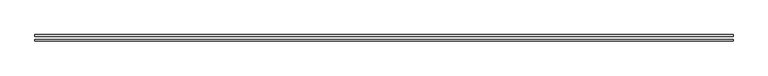
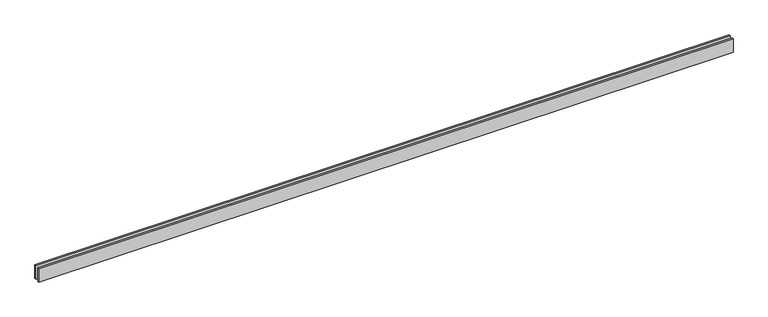
"""IFC4 building model written with IfcOpenShell, lengths in millimetres: proxy geometry."""

from ifc_helpers import new_model, si_unit, origin, origin_with_axes, place, context, project, spatial, polyline, outline, extrude, source, transform, mapped, element, save


def generic_models_3943d421(model_context):
    return source(origin(), model_context, "Body", "SweptSolid", [
        extrude(outline(polyline([(12110.0, 25.0), (0.0, 25.0), (0.0, 55.0), (12110.0, 55.0), (12110.0, 25.0)])), origin_with_axes(), (0.0, 0.0, 1.0), 250.0),
        extrude(outline(polyline([(12110.0, -55.0), (0.0, -55.0), (0.0, -25.0), (12110.0, -25.0), (12110.0, -55.0)])), origin_with_axes(), (0.0, 0.0, 1.0), 250.0),
    ])


if __name__ == "__main__":
    model = new_model("IFC4")
    model_context = context("Model", 3, world=origin())
    ifc_project = project(units=[si_unit("LENGTHUNIT", "METRE", prefix="MILLI")], contexts=[model_context])
    site = spatial("IfcSite", under=ifc_project)
    building = spatial("IfcBuilding", under=site)
    placement = place(None, origin())
    generic_models_shape = generic_models_3943d421(model_context)
    element("IfcBuildingElementProxy", 1, Name="Generic Models", at=placement, inside=building, context=model_context, shape_type="MappedRepresentation", body=[
        mapped(generic_models_shape, transform((0.0, 0.0, 0.0), x_axis=(1.0, 0.0, 0.0), y_axis=(0.0, 1.0, 0.0), z_axis=(0.0, 0.0, 1.0))),
    ])
    save(model, "model.ifc")
